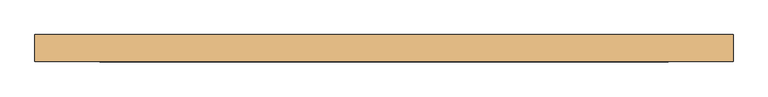
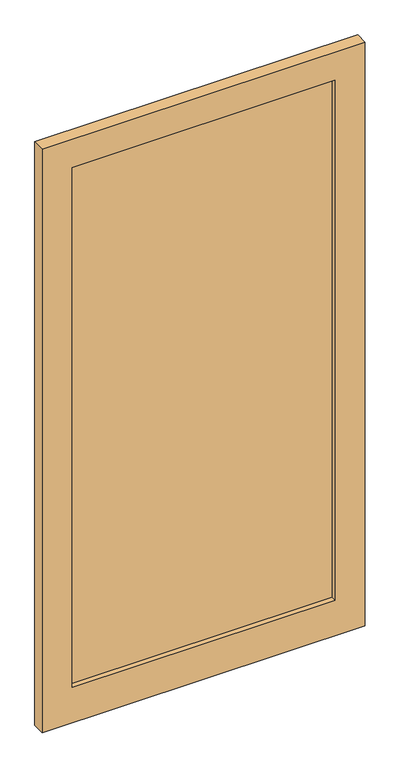
"""IFC4 building model written with IfcOpenShell, lengths in millimetres: door geometry."""

from ifc_helpers import new_model, si_unit, frame, origin, place, context, project, spatial, polyline, outline, extrude, source, transform, mapped, element, save


def door_05758458(model_context):
    return source(origin(), model_context, "Body", "SweptSolid", [
        extrude(outline(polyline([(525.0, -5.0), (-525.0, -5.0), (-525.0, 5.0), (525.0, 5.0), (525.0, -5.0)])), frame((0.0, 0.0, 220.0), z_axis=(0.0, 0.0, 1.0), x_axis=(1.0, 0.0, 0.0)), (0.0, 0.0, 1.0), 2195.0),
        extrude(outline(polyline([(2535.0, 645.0), (2535.0, -645.0), (70.0, -645.0), (70.0, 645.0), (2535.0, 645.0)]), holes=[polyline([(2415.0, 525.0), (220.0, 525.0), (220.0, -525.0), (2415.0, -525.0), (2415.0, 525.0)])]), frame((0.0, -25.0, 0.0), z_axis=(0.0, 1.0, 0.0), x_axis=(0.0, 0.0, 1.0)), (0.0, 0.0, 1.0), 50.0),
    ])


if __name__ == "__main__":
    model = new_model("IFC4")
    model_context = context("Model", 3, world=origin())
    ifc_project = project(units=[si_unit("LENGTHUNIT", "METRE", prefix="MILLI")], contexts=[model_context])
    site = spatial("IfcSite", under=ifc_project)
    building = spatial("IfcBuilding", under=site)
    placement = place(None, origin())
    door_shape = door_05758458(model_context)
    element("IfcDoor", 1, at=placement, inside=building, context=model_context, shape_type="MappedRepresentation", body=[
        mapped(door_shape, transform((0.0, 0.0, 0.0), x_axis=(1.0, 0.0, 0.0), y_axis=(0.0, 1.0, 0.0), z_axis=(0.0, 0.0, 1.0))),
    ])
    save(model, "model.ifc")
